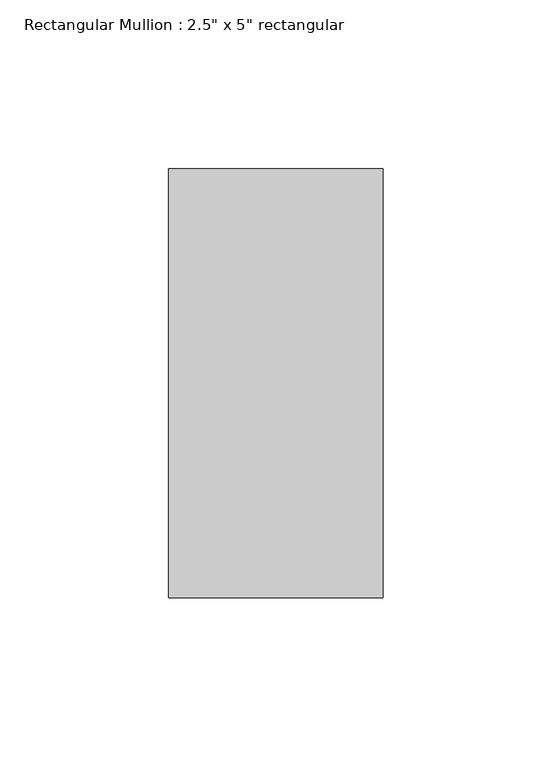
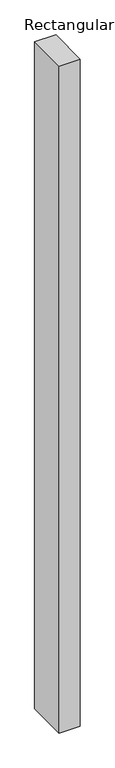
"""IFC4 building model written with IfcOpenShell, lengths in millimetres: member geometry."""

from ifc_helpers import new_model, si_unit, frame, origin, place, context, project, spatial, polyline, outline, extrude, source, transform, mapped, element, save


def member_331e4877(model_context):
    return source(origin(), model_context, "Body", "SweptSolid", [
        extrude(outline(polyline([(0.0, 63.5), (0.0, -63.5), (-63.5, -63.5), (-63.5, 63.5), (0.0, 63.5)])), frame((0.0, 0.0, -2116.2), z_axis=(0.0, 0.0, 1.0), x_axis=(1.0, 0.0, 0.0)), (0.0, 0.0, 1.0), 2116.2),
    ])


if __name__ == "__main__":
    model = new_model("IFC4")
    model_context = context("Model", 3, world=origin())
    ifc_project = project(units=[si_unit("LENGTHUNIT", "METRE", prefix="MILLI")], contexts=[model_context])
    site = spatial("IfcSite", under=ifc_project)
    building = spatial("IfcBuilding", under=site)
    placement = place(None, origin())
    member_shape = member_331e4877(model_context)
    element("IfcMember", 1, ObjectType="Rectangular Mullion : 2.5\" x 5\" rectangular", at=placement, inside=building, context=model_context, shape_type="MappedRepresentation", body=[
        mapped(member_shape, transform((0.0, 0.0, 0.0), x_axis=(1.0, 0.0, 0.0), y_axis=(0.0, 1.0, 0.0), z_axis=(0.0, 0.0, 1.0))),
    ])
    save(model, "model.ifc")
